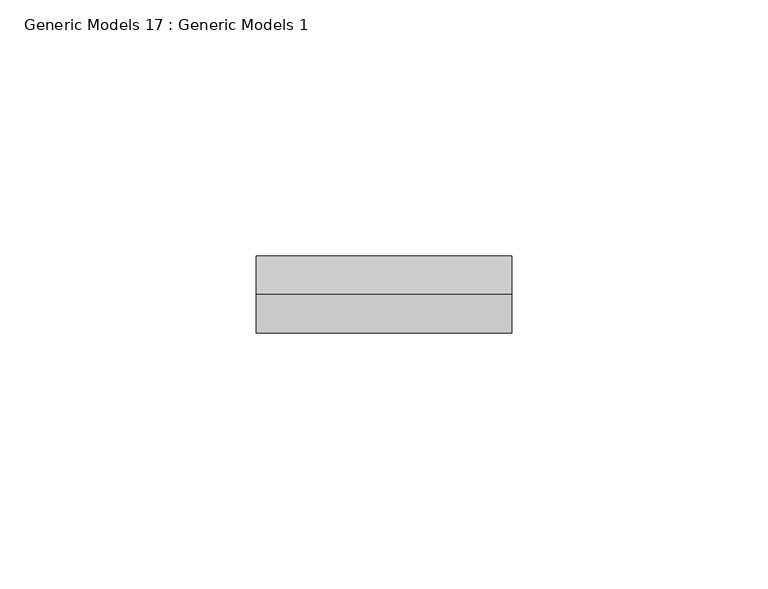
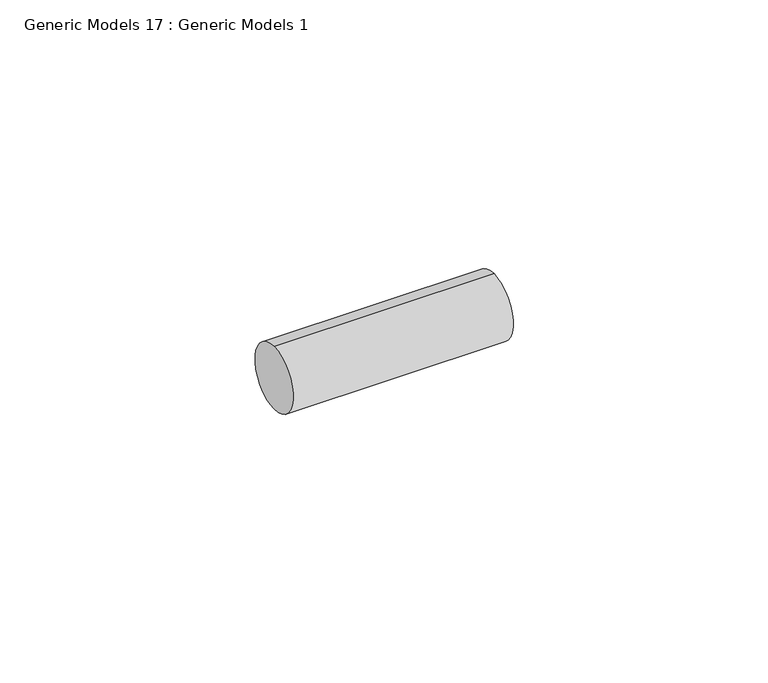
"""IFC4 building model written with IfcOpenShell, lengths in millimetres: proxy geometry, Generic Models 17 : Generic Models 1."""

from ifc_helpers import new_model, si_unit, point, frame, frame_2d, origin, place, context, project, spatial, circle_curve, trimmed, segment, composite_curve, outline, extrude, source, transform, mapped, element, save


def generic_models_17_generic_models_1_053ca4b7(model_context):
    return source(origin(), model_context, "Body", "SweptSolid", [
        extrude(outline(composite_curve([segment(trimmed(circle_curve(frame_2d((400.3057469, -814.107223)), 7.5), [point((400.3057469, -821.607223))], [point((400.3057469, -806.607223))], False, "CARTESIAN"), True, "CONTINUOUS"), segment(trimmed(circle_curve(frame_2d((400.3057469, -814.107223)), 7.5), [point((400.3057469, -806.607223))], [point((400.3057469, -821.607223))], False, "CARTESIAN"), True, "CONTINUOUS")], self_intersect=False)), frame((5010.5671963, 0.0, 0.0), z_axis=(1.0, 0.0, 0.0), x_axis=(0.0, 1.0, 0.0)), (0.0, 0.0, 1.0), 49.8000142),
    ])


if __name__ == "__main__":
    model = new_model("IFC4")
    model_context = context("Model", 3, world=origin())
    ifc_project = project(units=[si_unit("LENGTHUNIT", "METRE", prefix="MILLI")], contexts=[model_context])
    site = spatial("IfcSite", under=ifc_project)
    building = spatial("IfcBuilding", under=site)
    placement = place(None, origin())
    generic_models_17_generic_models_1_shape = generic_models_17_generic_models_1_053ca4b7(model_context)
    element("IfcBuildingElementProxy", 1, Name="Generic Models 17 : Generic Models 1", ObjectType="Generic Models 17 : Generic Models 1", at=placement, inside=building, context=model_context, shape_type="MappedRepresentation", body=[
        mapped(generic_models_17_generic_models_1_shape, transform((0.0, 0.0, 0.0), x_axis=(1.0, 0.0, 0.0), y_axis=(0.0, 1.0, 0.0), z_axis=(0.0, 0.0, 1.0))),
    ])
    save(model, "model.ifc")
